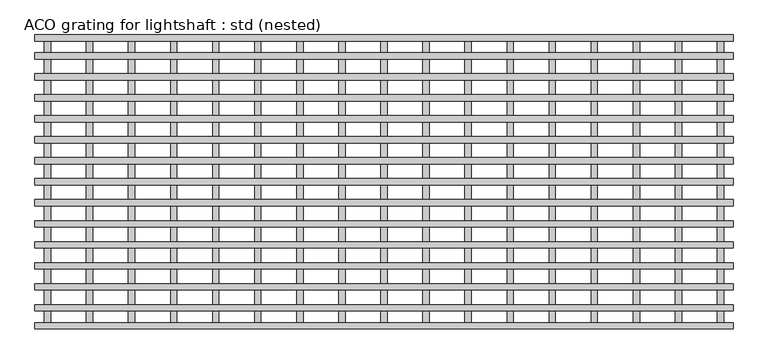
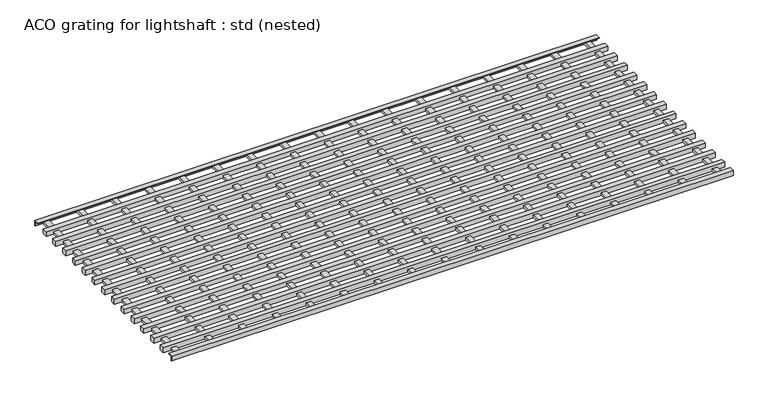
"""IFC4 building model written with IfcOpenShell, lengths in millimetres: sanitary terminal geometry, ACO grating for lightshaft : std (nested)."""

from ifc_helpers import new_model, si_unit, frame, origin, place, context, project, spatial, polyline, outline, extrude, source, transform, mapped, element, save


def aco_grating_for_lightshaft_std_nested_2908ecfa(model_context):
    return source(origin(), model_context, "Body", "SweptSolid", [
        extrude(outline(polyline([(-807.5, -2.0), (-792.5, -2.0), (-792.5, -698.0), (-807.5, -698.0), (-807.5, -2.0)])), frame((0.0, 0.0, -15.0), z_axis=(0.0, 0.0, 1.0), x_axis=(1.0, 0.0, 0.0)), (0.0, 0.0, 1.0), 7.5),
        extrude(outline(polyline([(807.5, -2.0), (807.5, -698.0), (792.5, -698.0), (792.5, -2.0), (807.5, -2.0)])), frame((0.0, 0.0, -15.0), z_axis=(0.0, 0.0, 1.0), x_axis=(1.0, 0.0, 0.0)), (0.0, 0.0, 1.0), 7.5),
        extrude(outline(polyline([(-707.5, -2.0), (-692.5, -2.0), (-692.5, -698.0), (-707.5, -698.0), (-707.5, -2.0)])), frame((0.0, 0.0, -15.0), z_axis=(0.0, 0.0, 1.0), x_axis=(1.0, 0.0, 0.0)), (0.0, 0.0, 1.0), 7.5),
        extrude(outline(polyline([(-607.5, -2.0), (-592.5, -2.0), (-592.5, -698.0), (-607.5, -698.0), (-607.5, -2.0)])), frame((0.0, 0.0, -15.0), z_axis=(0.0, 0.0, 1.0), x_axis=(1.0, 0.0, 0.0)), (0.0, 0.0, 1.0), 7.5),
        extrude(outline(polyline([(-507.5, -2.0), (-492.5, -2.0), (-492.5, -698.0), (-507.5, -698.0), (-507.5, -2.0)])), frame((0.0, 0.0, -15.0), z_axis=(0.0, 0.0, 1.0), x_axis=(1.0, 0.0, 0.0)), (0.0, 0.0, 1.0), 7.5),
        extrude(outline(polyline([(-407.5, -2.0), (-392.5, -2.0), (-392.5, -698.0), (-407.5, -698.0), (-407.5, -2.0)])), frame((0.0, 0.0, -15.0), z_axis=(0.0, 0.0, 1.0), x_axis=(1.0, 0.0, 0.0)), (0.0, 0.0, 1.0), 7.5),
        extrude(outline(polyline([(-307.5, -2.0), (-292.5, -2.0), (-292.5, -698.0), (-307.5, -698.0), (-307.5, -2.0)])), frame((0.0, 0.0, -15.0), z_axis=(0.0, 0.0, 1.0), x_axis=(1.0, 0.0, 0.0)), (0.0, 0.0, 1.0), 7.5),
        extrude(outline(polyline([(-207.5, -2.0), (-192.5, -2.0), (-192.5, -698.0), (-207.5, -698.0), (-207.5, -2.0)])), frame((0.0, 0.0, -15.0), z_axis=(0.0, 0.0, 1.0), x_axis=(1.0, 0.0, 0.0)), (0.0, 0.0, 1.0), 7.5),
        extrude(outline(polyline([(-107.5, -2.0), (-92.5, -2.0), (-92.5, -698.0), (-107.5, -698.0), (-107.5, -2.0)])), frame((0.0, 0.0, -15.0), z_axis=(0.0, 0.0, 1.0), x_axis=(1.0, 0.0, 0.0)), (0.0, 0.0, 1.0), 7.5),
        extrude(outline(polyline([(707.5, -2.0), (707.5, -698.0), (692.5, -698.0), (692.5, -2.0), (707.5, -2.0)])), frame((0.0, 0.0, -15.0), z_axis=(0.0, 0.0, 1.0), x_axis=(1.0, 0.0, 0.0)), (0.0, 0.0, 1.0), 7.5),
        extrude(outline(polyline([(607.5, -2.0), (607.5, -698.0), (592.5, -698.0), (592.5, -2.0), (607.5, -2.0)])), frame((0.0, 0.0, -15.0), z_axis=(0.0, 0.0, 1.0), x_axis=(1.0, 0.0, 0.0)), (0.0, 0.0, 1.0), 7.5),
        extrude(outline(polyline([(507.5, -2.0), (507.5, -698.0), (492.5, -698.0), (492.5, -2.0), (507.5, -2.0)])), frame((0.0, 0.0, -15.0), z_axis=(0.0, 0.0, 1.0), x_axis=(1.0, 0.0, 0.0)), (0.0, 0.0, 1.0), 7.5),
        extrude(outline(polyline([(407.5, -2.0), (407.5, -698.0), (392.5, -698.0), (392.5, -2.0), (407.5, -2.0)])), frame((0.0, 0.0, -15.0), z_axis=(0.0, 0.0, 1.0), x_axis=(1.0, 0.0, 0.0)), (0.0, 0.0, 1.0), 7.5),
        extrude(outline(polyline([(307.5, -2.0), (307.5, -698.0), (292.5, -698.0), (292.5, -2.0), (307.5, -2.0)])), frame((0.0, 0.0, -15.0), z_axis=(0.0, 0.0, 1.0), x_axis=(1.0, 0.0, 0.0)), (0.0, 0.0, 1.0), 7.5),
        extrude(outline(polyline([(207.5, -2.0), (207.5, -698.0), (192.5, -698.0), (192.5, -2.0), (207.5, -2.0)])), frame((0.0, 0.0, -15.0), z_axis=(0.0, 0.0, 1.0), x_axis=(1.0, 0.0, 0.0)), (0.0, 0.0, 1.0), 7.5),
        extrude(outline(polyline([(107.5, -2.0), (107.5, -698.0), (92.5, -698.0), (92.5, -2.0), (107.5, -2.0)])), frame((0.0, 0.0, -15.0), z_axis=(0.0, 0.0, 1.0), x_axis=(1.0, 0.0, 0.0)), (0.0, 0.0, 1.0), 7.5),
        extrude(outline(polyline([(7.5, -2.0), (7.5, -698.0), (-7.5, -698.0), (-7.5, -2.0), (7.5, -2.0)])), frame((0.0, 0.0, -15.0), z_axis=(0.0, 0.0, 1.0), x_axis=(1.0, 0.0, 0.0)), (0.0, 0.0, 1.0), 7.5),
        extrude(outline(polyline([(830.0, -42.5), (830.0, -57.5), (-830.0, -57.5), (-830.0, -42.5), (830.0, -42.5)])), frame((0.0, 0.0, -15.0), z_axis=(0.0, 0.0, 1.0), x_axis=(1.0, 0.0, 0.0)), (0.0, 0.0, 1.0), 15.0),
        extrude(outline(polyline([(830.0, -657.5), (-830.0, -657.5), (-830.0, -642.5), (830.0, -642.5), (830.0, -657.5)])), frame((0.0, 0.0, -15.0), z_axis=(0.0, 0.0, 1.0), x_axis=(1.0, 0.0, 0.0)), (0.0, 0.0, 1.0), 15.0),
        extrude(outline(polyline([(830.0, -607.5), (-830.0, -607.5), (-830.0, -592.5), (830.0, -592.5), (830.0, -607.5)])), frame((0.0, 0.0, -15.0), z_axis=(0.0, 0.0, 1.0), x_axis=(1.0, 0.0, 0.0)), (0.0, 0.0, 1.0), 15.0),
        extrude(outline(polyline([(830.0, -557.5), (-830.0, -557.5), (-830.0, -542.5), (830.0, -542.5), (830.0, -557.5)])), frame((0.0, 0.0, -15.0), z_axis=(0.0, 0.0, 1.0), x_axis=(1.0, 0.0, 0.0)), (0.0, 0.0, 1.0), 15.0),
        extrude(outline(polyline([(830.0, -507.5), (-830.0, -507.5), (-830.0, -492.5), (830.0, -492.5), (830.0, -507.5)])), frame((0.0, 0.0, -15.0), z_axis=(0.0, 0.0, 1.0), x_axis=(1.0, 0.0, 0.0)), (0.0, 0.0, 1.0), 15.0),
        extrude(outline(polyline([(830.0, -457.5), (-830.0, -457.5), (-830.0, -442.5), (830.0, -442.5), (830.0, -457.5)])), frame((0.0, 0.0, -15.0), z_axis=(0.0, 0.0, 1.0), x_axis=(1.0, 0.0, 0.0)), (0.0, 0.0, 1.0), 15.0),
        extrude(outline(polyline([(830.0, -407.5), (-830.0, -407.5), (-830.0, -392.5), (830.0, -392.5), (830.0, -407.5)])), frame((0.0, 0.0, -15.0), z_axis=(0.0, 0.0, 1.0), x_axis=(1.0, 0.0, 0.0)), (0.0, 0.0, 1.0), 15.0),
        extrude(outline(polyline([(830.0, -92.5), (830.0, -107.5), (-830.0, -107.5), (-830.0, -92.5), (830.0, -92.5)])), frame((0.0, 0.0, -15.0), z_axis=(0.0, 0.0, 1.0), x_axis=(1.0, 0.0, 0.0)), (0.0, 0.0, 1.0), 15.0),
        extrude(outline(polyline([(830.0, -142.5), (830.0, -157.5), (-830.0, -157.5), (-830.0, -142.5), (830.0, -142.5)])), frame((0.0, 0.0, -15.0), z_axis=(0.0, 0.0, 1.0), x_axis=(1.0, 0.0, 0.0)), (0.0, 0.0, 1.0), 15.0),
        extrude(outline(polyline([(830.0, -192.5), (830.0, -207.5), (-830.0, -207.5), (-830.0, -192.5), (830.0, -192.5)])), frame((0.0, 0.0, -15.0), z_axis=(0.0, 0.0, 1.0), x_axis=(1.0, 0.0, 0.0)), (0.0, 0.0, 1.0), 15.0),
        extrude(outline(polyline([(830.0, -242.5), (830.0, -257.5), (-830.0, -257.5), (-830.0, -242.5), (830.0, -242.5)])), frame((0.0, 0.0, -15.0), z_axis=(0.0, 0.0, 1.0), x_axis=(1.0, 0.0, 0.0)), (0.0, 0.0, 1.0), 15.0),
        extrude(outline(polyline([(830.0, -292.5), (830.0, -307.5), (-830.0, -307.5), (-830.0, -292.5), (830.0, -292.5)])), frame((0.0, 0.0, -15.0), z_axis=(0.0, 0.0, 1.0), x_axis=(1.0, 0.0, 0.0)), (0.0, 0.0, 1.0), 15.0),
        extrude(outline(polyline([(830.0, -342.5), (830.0, -357.5), (-830.0, -357.5), (-830.0, -342.5), (830.0, -342.5)])), frame((0.0, 0.0, -15.0), z_axis=(0.0, 0.0, 1.0), x_axis=(1.0, 0.0, 0.0)), (0.0, 0.0, 1.0), 15.0),
        extrude(outline(polyline([(-685.0, 0.0), (-685.0, -2.0), (-698.0, -2.0), (-698.0, -15.0), (-700.0, -15.0), (-700.0, 0.0), (-685.0, 0.0)])), frame((-830.0, 0.0, 0.0), z_axis=(1.0, 0.0, 0.0), x_axis=(0.0, 1.0, 0.0)), (0.0, 0.0, 1.0), 1660.0),
        extrude(outline(polyline([(0.0, -15.0), (-2.0, -15.0), (-2.0, -2.0), (-15.0, -2.0), (-15.0, 0.0), (0.0, 0.0), (0.0, -15.0)])), frame((-830.0, 0.0, 0.0), z_axis=(1.0, 0.0, 0.0), x_axis=(0.0, 1.0, 0.0)), (0.0, 0.0, 1.0), 1660.0),
    ])


if __name__ == "__main__":
    model = new_model("IFC4")
    model_context = context("Model", 3, world=origin())
    ifc_project = project(units=[si_unit("LENGTHUNIT", "METRE", prefix="MILLI")], contexts=[model_context])
    site = spatial("IfcSite", under=ifc_project)
    building = spatial("IfcBuilding", under=site)
    placement = place(None, origin())
    aco_grating_for_lightshaft_std_nested_shape = aco_grating_for_lightshaft_std_nested_2908ecfa(model_context)
    element("IfcSanitaryTerminal", 1, ObjectType="ACO grating for lightshaft : std (nested)", at=placement, inside=building, context=model_context, shape_type="MappedRepresentation", body=[
        mapped(aco_grating_for_lightshaft_std_nested_shape, transform((0.0, 0.0, 0.0), x_axis=(1.0, 0.0, 0.0), y_axis=(0.0, 1.0, 0.0), z_axis=(0.0, 0.0, 1.0))),
    ])
    save(model, "model.ifc")
